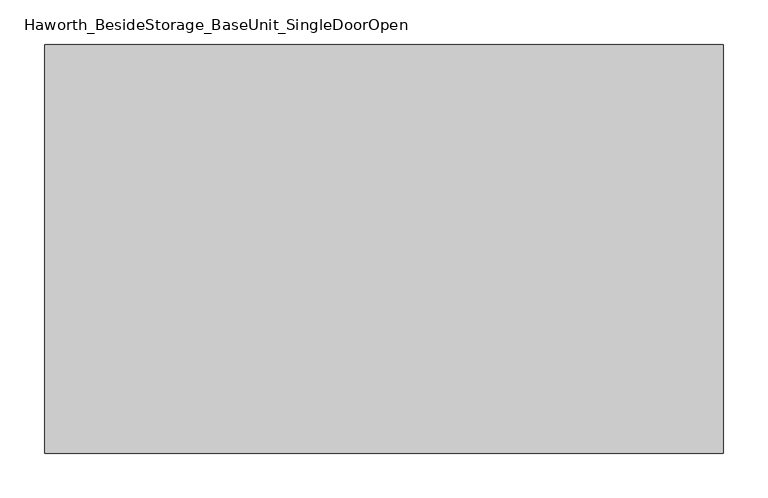
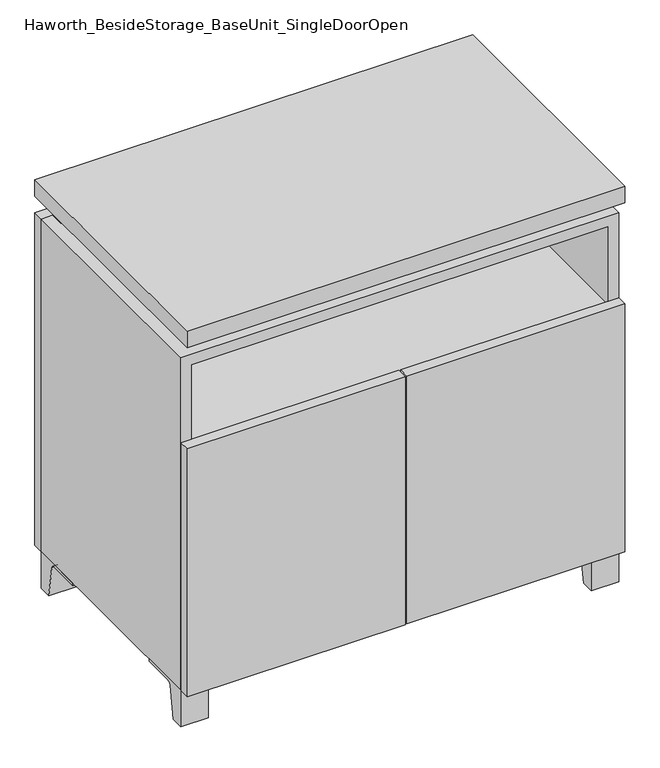
"""IFC4 building model written with IfcOpenShell, lengths in millimetres: furniture geometry, Haworth_BesideStorage_BaseUnit_SingleDoorOpen."""

import ifcopenshell
import ifcopenshell.guid

model = None  # the IFC model being written
_history = None  # IfcOwnerHistory: only IFC2X3 demands one
_inside = {}  # id of a spatial element -> (the spatial element, [elements in it])
_under = {}  # id of a project, library or spatial element -> (it, [spatial elements below it])
_declared = {}  # id of a project -> (the project, [libraries it declares])
_typed = {}  # id of a type object -> (the type object, [elements of that type])
_made_of = {}  # id of a material, layer set ... -> (it, [elements and type objects made of it])


def new_model(schema):
    """Start an empty IFC model of exactly this schema.

    Asked for "IFC4X3", IfcOpenShell would pick the latest addendum, in which some entities
    have other attributes; the version numbers below select the first issue.
    IFC2X3 requires an IfcOwnerHistory on every rooted entity: one is made here for all.
    """
    global model, _history
    if schema == "IFC4X3":
        model = ifcopenshell.file(schema_version=(4, 3, 0, 0))
    else:
        model = ifcopenshell.file(schema=schema)
    _inside.clear()
    _under.clear()
    _declared.clear()
    _typed.clear()
    _made_of.clear()
    _history = None
    if model.schema == "IFC2X3":
        org = make("IfcOrganization", Name="unknown")
        user = make(
            "IfcPersonAndOrganization",
            ThePerson=make("IfcPerson", FamilyName="unknown"),
            TheOrganization=org,
        )
        app = make(
            "IfcApplication",
            ApplicationDeveloper=org,
            Version="unknown",
            ApplicationFullName="unknown",
            ApplicationIdentifier="unknown",
        )
        _history = make(
            "IfcOwnerHistory",
            OwningUser=user,
            OwningApplication=app,
            ChangeAction="ADDED",
            CreationDate=0,
        )
    return model


def make(cls, **values):
    """One entity of the class cls with the attributes given. An attribute that is None is left unset."""
    return model.create_entity(
        cls, **{name: value for name, value in values.items() if value is not None}
    )


def rooted(cls, **values):
    """An entity with a GlobalId (a new one), such as an element, a storey or a relation."""
    return make(cls, GlobalId=ifcopenshell.guid.new(), OwnerHistory=_history, **values)


def si_unit(unit_type, name, prefix=None):
    """IfcSIUnit, for example si_unit("LENGTHUNIT", "METRE", prefix="MILLI")."""
    return make("IfcSIUnit", UnitType=unit_type, Prefix=prefix, Name=name)


def assignment(units):
    """IfcUnitAssignment: the units of a project."""
    return None if units is None else make("IfcUnitAssignment", Units=units)


def point(xyz):
    """IfcCartesianPoint."""
    return None if xyz is None else make("IfcCartesianPoint", Coordinates=xyz)


def direction(xyz):
    """IfcDirection."""
    return None if xyz is None else make("IfcDirection", DirectionRatios=xyz)


def frame(location, z_axis=None, x_axis=None):
    """IfcAxis2Placement3D, a coordinate frame: its origin and axes. An axis left out is left unset."""
    return make(
        "IfcAxis2Placement3D",
        Location=point(location),
        Axis=direction(z_axis),
        RefDirection=direction(x_axis),
    )


def frame_2d(location, x_axis=None):
    """IfcAxis2Placement2D, a coordinate frame in the plane: its origin and x axis."""
    return make(
        "IfcAxis2Placement2D", Location=point(location), RefDirection=direction(x_axis)
    )


def origin():
    """The frame at (0, 0, 0) with its axes left unset."""
    return frame((0.0, 0.0, 0.0))


def place(relative_to, where):
    """IfcLocalPlacement: puts the frame where relative to a parent placement (None: the world)."""
    return make(
        "IfcLocalPlacement", PlacementRelTo=relative_to, RelativePlacement=where
    )


def context(
    kind, dimensions, precision=None, world=None, true_north=None, identifier=None
):
    """IfcGeometricRepresentationContext, for example the 3D "Model" context."""
    return make(
        "IfcGeometricRepresentationContext",
        ContextIdentifier=identifier,
        ContextType=kind,
        CoordinateSpaceDimension=dimensions,
        Precision=precision,
        WorldCoordinateSystem=world,
        TrueNorth=true_north,
    )


def project(units=None, contexts=None):
    """IfcProject with its units and contexts."""
    return rooted(
        "IfcProject",
        Name="project",
        RepresentationContexts=contexts,
        UnitsInContext=assignment(units),
    )


def spatial(cls, under=None, at=None, **own):
    """A site, building, storey or space (cls), placed at a placement, below another one or the project."""
    s = rooted(cls, ObjectPlacement=at, **own)
    if under is not None:
        _under.setdefault(under.id(), (under, []))[1].append(s)
    return s


def polyline(points):
    """IfcPolyline through the points."""
    return make("IfcPolyline", Points=[point(p) for p in points])


def circle_curve(where, radius):
    """IfcCircle in the frame where."""
    return make("IfcCircle", Position=where, Radius=radius)


def trimmed(basis, trim1, trim2, sense, master):
    """IfcTrimmedCurve: the piece of a basis curve between two trims."""
    return make(
        "IfcTrimmedCurve",
        BasisCurve=basis,
        Trim1=trim1,
        Trim2=trim2,
        SenseAgreement=sense,
        MasterRepresentation=master,
    )


def segment(curve, same_sense, transition):
    """IfcCompositeCurveSegment."""
    return make(
        "IfcCompositeCurveSegment",
        Transition=transition,
        SameSense=same_sense,
        ParentCurve=curve,
    )


def composite_curve(segments, self_intersect=None):
    """IfcCompositeCurve: segments joined end to end."""
    return make("IfcCompositeCurve", Segments=segments, SelfIntersect=self_intersect)


def outline(outer, holes=None, kind="AREA"):
    """IfcArbitraryClosedProfileDef: a profile drawn as a closed curve; with holes, ...WithVoids."""
    if holes is None:
        return make("IfcArbitraryClosedProfileDef", ProfileType=kind, OuterCurve=outer)
    return make(
        "IfcArbitraryProfileDefWithVoids",
        ProfileType=kind,
        OuterCurve=outer,
        InnerCurves=holes,
    )


def extrude(swept, where, along, depth):
    """IfcExtrudedAreaSolid: the profile swept, set in the frame where, extruded along a direction by depth."""
    return make(
        "IfcExtrudedAreaSolid",
        SweptArea=swept,
        Position=where,
        ExtrudedDirection=direction(along),
        Depth=depth,
    )


def faces_of(points, faces, orient=None, outer=None):
    """IfcFace entities. A face is a list of loops; a loop is a list of indices into points, from 0.

    orient and outer hold one flag for each loop. By default every Orientation is true, the
    first loop of a face is its IfcFaceOuterBound and the others are IfcFaceBound.
    """
    made = []
    for i, loops in enumerate(faces):
        bounds = []
        for j, loop in enumerate(loops):
            is_outer = j == 0 if outer is None else outer[i][j]
            bounds.append(
                make(
                    "IfcFaceOuterBound" if is_outer else "IfcFaceBound",
                    Bound=make("IfcPolyLoop", Polygon=[points[k] for k in loop]),
                    Orientation=True if orient is None else orient[i][j],
                )
            )
        made.append(make("IfcFace", Bounds=bounds))
    return made


def faceted_brep(points, faces, orient=None, outer=None, voids=None):
    """IfcFacetedBrep: a solid bounded by flat faces; with voids (closed shells), ...WithVoids."""
    shared = [point(p) for p in points]
    hull = make("IfcClosedShell", CfsFaces=faces_of(shared, faces, orient, outer))
    if voids is None:
        return make("IfcFacetedBrep", Outer=hull)
    return make(
        "IfcFacetedBrepWithVoids",
        Outer=hull,
        Voids=[
            make(cls, CfsFaces=faces_of(shared, fs, o, b)) for cls, fs, o, b in voids
        ],
    )


def shape(context_of_items, identifier, shape_type, items):
    """IfcShapeRepresentation: the items that make up one representation, for example the "Body"."""
    return make(
        "IfcShapeRepresentation",
        ContextOfItems=context_of_items,
        RepresentationIdentifier=identifier,
        RepresentationType=shape_type,
        Items=items,
    )


def source(mapping_origin, context_of_items, identifier, shape_type, items):
    """IfcRepresentationMap: a shape defined once, which mapped items show again and again."""
    return make(
        "IfcRepresentationMap",
        MappingOrigin=mapping_origin,
        MappedRepresentation=shape(context_of_items, identifier, shape_type, items),
    )


def transform(
    local_origin,
    x_axis=None,
    y_axis=None,
    z_axis=None,
    scale=None,
    scale2=None,
    scale3=None,
    uniform=True,
):
    """IfcCartesianTransformationOperator3D, or its non-uniform kind. x_axis, y_axis, z_axis: its Axis1, 2, 3."""
    if uniform:
        return make(
            "IfcCartesianTransformationOperator3D",
            Axis1=direction(x_axis),
            Axis2=direction(y_axis),
            LocalOrigin=point(local_origin),
            Scale=scale,
            Axis3=direction(z_axis),
        )
    return make(
        "IfcCartesianTransformationOperator3DnonUniform",
        Axis1=direction(x_axis),
        Axis2=direction(y_axis),
        LocalOrigin=point(local_origin),
        Scale=scale,
        Axis3=direction(z_axis),
        Scale2=scale2,
        Scale3=scale3,
    )


def mapped(mapping_source, mapping_target):
    """IfcMappedItem: shows the shape of a source again, moved by a transform."""
    return make(
        "IfcMappedItem", MappingSource=mapping_source, MappingTarget=mapping_target
    )


def made_of(thing, what):
    """Note that an element or type object is made of a material, layer set ...; save() writes the relation."""
    if what is not None:
        _made_of.setdefault(what.id(), (what, []))[1].append(thing)
    return thing


def element(
    cls,
    number,
    at=None,
    inside=None,
    cuts=None,
    type_object=None,
    material=None,
    context=None,
    identifier="Body",
    shape_type=None,
    held_by="IfcProductDefinitionShape",
    body=None,
    shapes=None,
    **own,
):
    """One element of the class cls, such as IfcWall. Its Tag is "e" and its number.

    at: its placement. inside: the storey or other place that contains it. cuts: it is an
    opening in that element (IfcRelVoidsElement). A single representation is given by context,
    identifier, shape_type and body (its items); several are given by shapes. held_by: the class
    of the entity that holds the representations. save() writes the other relations.
    """
    e = rooted(cls, Tag="e%d" % number, ObjectPlacement=at, **own)
    if body is not None:
        shapes = [shape(context, identifier, shape_type, body)]
    if shapes is not None:
        e.Representation = make(held_by, Representations=shapes)
    if inside is not None:
        _inside.setdefault(inside.id(), (inside, []))[1].append(e)
    if cuts is not None:
        rooted(
            "IfcRelVoidsElement", RelatingBuildingElement=cuts, RelatedOpeningElement=e
        )
    if type_object is not None:
        _typed.setdefault(type_object.id(), (type_object, []))[1].append(e)
    return made_of(e, material)


def aggregate(whole, parts):
    """IfcRelAggregates: a whole, such as a stair, and the parts it consists of."""
    return rooted("IfcRelAggregates", RelatingObject=whole, RelatedObjects=parts)


def save(model, path):
    """Write the relations noted so far, then the file.

    IfcRelAggregates (storeys below a building ...), IfcRelContainedInSpatialStructure (elements
    in a storey), IfcRelDefinesByType, IfcRelAssociatesMaterial and IfcRelDeclares: one each for
    every whole, place, type object, material and project.
    """
    for whole, parts in _under.values():
        aggregate(whole, parts)
    for where, things in _inside.values():
        rooted(
            "IfcRelContainedInSpatialStructure",
            RelatedElements=things,
            RelatingStructure=where,
        )
    for kind, things in _typed.values():
        rooted("IfcRelDefinesByType", RelatedObjects=things, RelatingType=kind)
    for what, things in _made_of.values():
        rooted("IfcRelAssociatesMaterial", RelatedObjects=things, RelatingMaterial=what)
    for by, libraries in _declared.values():
        rooted("IfcRelDeclares", RelatingContext=by, RelatedDefinitions=libraries)
    model.write(path)


def haworth_besidestorage_baseunit_singledooropen_69b76db5(model_context):
    return source(origin(), model_context, "Body", "SolidModel", [
        extrude(outline(composite_curve([segment(polyline([(-123.2958469, 0.0), (-146.05, 0.0), (-146.05, 66.675), (-50.8, 66.675), (-50.8, 61.8963321), (-107.6005345, 61.8963321)]), True, "CONTINUOUS"), segment(trimmed(circle_curve(frame_2d((-107.6005345, 55.5463321)), 6.35), [point((-107.6005345, 61.8963321))], [point((-113.8641359, 56.5902656))], True, "CARTESIAN"), True, "CONTINUOUS"), segment(polyline([(-113.8641359, 56.5902656), (-123.2958469, 0.0)]), True, "CONTINUOUS")], self_intersect=False)), frame((331.8013906, 0.0, 0.0), z_axis=(1.0, 0.0, 0.0), x_axis=(0.0, 1.0, 0.0)), (0.0, 0.0, 1.0), 47.625),
        extrude(outline(composite_curve([segment(polyline([(250.2958469, 0.0), (240.8641359, 56.5902656)]), True, "CONTINUOUS"), segment(trimmed(circle_curve(frame_2d((234.6005345, 55.5463321)), 6.35), [point((240.8641359, 56.5902656))], [point((234.6005345, 61.8963321))], True, "CARTESIAN"), True, "CONTINUOUS"), segment(polyline([(234.6005345, 61.8963321), (177.8, 61.8963321), (177.8, 66.675), (273.05, 66.675), (273.05, 0.0), (250.2958469, 0.0)]), True, "CONTINUOUS")], self_intersect=False)), frame((331.8013906, 0.0, 0.0), z_axis=(1.0, 0.0, 0.0), x_axis=(0.0, 1.0, 0.0)), (0.0, 0.0, 1.0), 47.625),
        extrude(outline(composite_curve([segment(polyline([(-123.2958469, 0.0), (-146.05, 0.0), (-146.05, 66.675), (-50.8, 66.675), (-50.8, 61.8963321), (-107.6005345, 61.8963321)]), True, "CONTINUOUS"), segment(trimmed(circle_curve(frame_2d((-107.6005345, 55.5463321)), 6.35), [point((-107.6005345, 61.8963321))], [point((-113.8641359, 56.5902656))], True, "CARTESIAN"), True, "CONTINUOUS"), segment(polyline([(-113.8641359, 56.5902656), (-123.2958469, 0.0)]), True, "CONTINUOUS")], self_intersect=False)), frame((-379.3986094, 0.0, 0.0), z_axis=(1.0, 0.0, 0.0), x_axis=(0.0, 1.0, 0.0)), (0.0, 0.0, 1.0), 47.625),
        extrude(outline(composite_curve([segment(polyline([(250.2958469, 0.0), (240.8641359, 56.5902656)]), True, "CONTINUOUS"), segment(trimmed(circle_curve(frame_2d((234.6005345, 55.5463321)), 6.35), [point((240.8641359, 56.5902656))], [point((234.6005345, 61.8963321))], True, "CARTESIAN"), True, "CONTINUOUS"), segment(polyline([(234.6005345, 61.8963321), (177.8, 61.8963321), (177.8, 66.675), (273.05, 66.675), (273.05, 0.0), (250.2958469, 0.0)]), True, "CONTINUOUS")], self_intersect=False)), frame((-379.3986094, 0.0, 0.0), z_axis=(1.0, 0.0, 0.0), x_axis=(0.0, 1.0, 0.0)), (0.0, 0.0, 1.0), 47.625),
        faceted_brep([(-379.3986094, -146.05, 66.675), (379.4125, -146.05, 66.675), (379.4125, -146.05, 676.275), (-379.3986094, -146.05, 676.275), (-360.3486094, -146.05, 85.725), (-360.3486094, -146.05, 657.225), (360.3694453, -146.05, 657.225), (360.3486094, -146.05, 85.725), (-379.3986094, 273.05, 66.675), (-379.3986094, 273.05, 676.275), (-360.3486094, 273.05, 676.275), (-360.3486094, 273.05, 85.725), (360.3486094, 273.05, 85.725), (360.3486094, 273.05, 676.275), (379.4125, 273.05, 676.275), (379.4125, 273.05, 66.675), (360.3486094, 247.65, 676.275), (-360.3416641, 247.65, 676.275), (-360.3486094, 247.65, 657.225), (360.3486094, 247.65, 657.225)], [[[0, 1, 2, 3], [4, 5, 6, 7]], [[8, 9, 10, 11, 12, 13, 14, 15]], [[1, 0, 8, 15]], [[2, 1, 15, 14]], [[3, 2, 14, 13, 16, 17, 10, 9]], [[0, 3, 9, 8]], [[11, 10, 17, 18, 5, 4]], [[13, 12, 7, 6, 19, 16]], [[4, 7, 12, 11]], [[6, 5, 18, 19]], [[17, 16, 19, 18]]]),
        extrude(outline(polyline([(379.4263906, -165.1), (-379.3986094, -165.1), (-379.3986094, 292.1), (379.4263906, 292.1), (379.4263906, -165.1)])), frame((0.0, 0.0, 706.4375), z_axis=(0.0, 0.0, 1.0), x_axis=(1.0, 0.0, 0.0)), (0.0, 0.0, 1.0), 30.1625),
        faceted_brep([(7.9513906, -69.85, 706.4375), (7.9513906, -69.85, 676.275), (7.9513906, 53.975, 676.275), (7.9513906, 53.975, 706.4375), (7.9513906, 196.85, 676.275), (7.9513906, 196.85, 706.4375), (7.9513906, 73.025, 706.4375), (7.9513906, 73.025, 676.275), (-7.9236094, 196.85, 706.4375), (-7.9236094, 196.85, 676.275), (-7.9236094, 73.025, 676.275), (-7.9236094, 73.025, 706.4375), (-7.9236094, -69.85, 676.275), (-7.9236094, -69.85, 706.4375), (-7.9236094, 53.975, 706.4375), (-7.9236094, 53.975, 676.275), (-338.0958281, 73.025, 706.4375), (-338.1166641, 247.65, 706.4375), (-353.9916641, 247.65, 706.4375), (-353.9916641, -120.65, 706.4375), (-338.1166641, -120.65, 706.4375), (-338.1166641, 53.975, 706.4375), (338.1236094, 53.975, 706.4375), (338.1236094, -120.65, 706.4375), (353.9986094, -120.65, 706.4375), (353.9986094, 247.65, 706.4375), (338.1236094, 247.65, 706.4375), (338.1236094, 73.025, 706.4375), (-338.0958281, 53.975, 676.275), (-338.1166641, -120.65, 676.275), (-353.9916641, -120.65, 676.275), (-353.9916641, 247.65, 676.275), (-338.1166641, 247.65, 676.275), (-338.1166641, 73.025, 676.275), (338.1236094, 73.025, 676.275), (338.1236094, 247.65, 676.275), (353.9986094, 247.65, 676.275), (353.9986094, -120.65, 676.275), (338.1236094, -120.65, 676.275), (338.1236094, 53.975, 676.275)], [[[0, 1, 2, 3]], [[4, 5, 6, 7]], [[8, 9, 10, 11]], [[12, 13, 14, 15]], [[5, 8, 11, 16, 17, 18, 19, 20, 21, 14, 13, 0, 3, 22, 23, 24, 25, 26, 27, 6]], [[1, 12, 15, 28, 29, 30, 31, 32, 33, 10, 9, 4, 7, 34, 35, 36, 37, 38, 39, 2]], [[5, 4, 9, 8]], [[1, 0, 13, 12]], [[6, 27, 34, 7]], [[22, 3, 2, 39]], [[20, 29, 28, 21]], [[32, 17, 16, 33]], [[18, 31, 30, 19]], [[29, 20, 19, 30]], [[17, 32, 31, 18]], [[26, 35, 34, 27]], [[38, 23, 22, 39]], [[25, 24, 37, 36]], [[23, 38, 37, 24]], [[35, 26, 25, 36]], [[16, 11, 10, 33]], [[14, 21, 28, 15]]]),
        extrude(outline(polyline([(379.4263906, 273.05), (-379.3986094, 273.05), (-379.3986094, 292.1), (379.4263906, 292.1), (379.4263906, 273.05)])), frame((0.0, 0.0, 66.675), z_axis=(0.0, 0.0, 1.0), x_axis=(1.0, 0.0, 0.0)), (0.0, 0.0, 1.0), 609.6),
        extrude(outline(polyline([(-360.3416641, 203.2), (-360.3416641, 209.55), (360.3694453, 209.55), (360.3694453, 203.2), (-360.3416641, 203.2)])), frame((0.0, 0.0, 85.725), z_axis=(0.0, 0.0, 1.0), x_axis=(1.0, 0.0, 0.0)), (0.0, 0.0, 1.0), 571.5),
        extrude(outline(polyline([(1.6013906, -165.1), (1.6013906, -146.05), (379.4263906, -146.05), (379.4263906, -165.1), (1.6013906, -165.1)])), frame((0.0, 0.0, 66.675), z_axis=(0.0, 0.0, 1.0), x_axis=(1.0, 0.0, 0.0)), (0.0, 0.0, 1.0), 454.025),
        extrude(outline(polyline([(-1.5736094, -165.1), (-379.3986094, -165.1), (-379.3986094, -146.05), (-1.5736094, -146.05), (-1.5736094, -165.1)])), frame((0.0, 0.0, 66.675), z_axis=(0.0, 0.0, 1.0), x_axis=(1.0, 0.0, 0.0)), (0.0, 0.0, 1.0), 454.025),
        extrude(outline(polyline([(360.3486094, 203.2), (360.3486094, -146.05), (-360.3486094, -146.05), (-360.3486094, 203.2), (360.3486094, 203.2)])), frame((0.0, 0.0, 496.8875), z_axis=(0.0, 0.0, 1.0), x_axis=(1.0, 0.0, 0.0)), (0.0, 0.0, 1.0), 19.05),
    ])


if __name__ == "__main__":
    model = new_model("IFC4")
    model_context = context("Model", 3, world=origin())
    ifc_project = project(units=[si_unit("LENGTHUNIT", "METRE", prefix="MILLI")], contexts=[model_context])
    site = spatial("IfcSite", under=ifc_project)
    building = spatial("IfcBuilding", under=site)
    placement = place(None, origin())
    haworth_besidestorage_baseunit_singledooropen_shape = haworth_besidestorage_baseunit_singledooropen_69b76db5(model_context)
    element("IfcFurniture", 1, ObjectType="Haworth_BesideStorage_BaseUnit_SingleDoorOpen", at=placement, inside=building, context=model_context, shape_type="MappedRepresentation", body=[
        mapped(haworth_besidestorage_baseunit_singledooropen_shape, transform((0.0, 0.0, 0.0), x_axis=(1.0, 0.0, 0.0), y_axis=(0.0, 1.0, 0.0), z_axis=(0.0, 0.0, 1.0))),
    ])
    save(model, "model.ifc")
